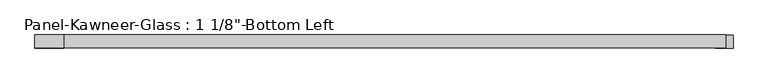
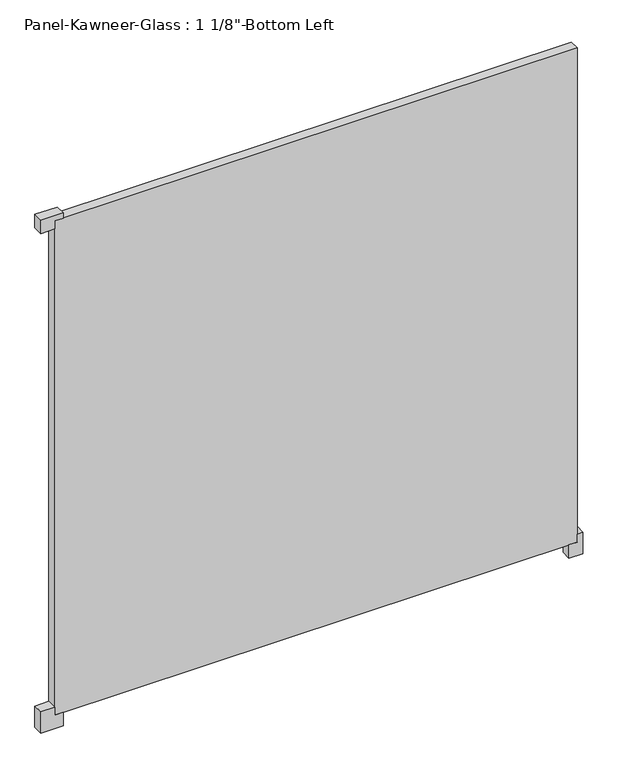
"""IFC4 building model written with IfcOpenShell, lengths in millimetres: plate geometry."""

from ifc_helpers import new_model, si_unit, frame, origin, origin_with_axes, place, context, project, spatial, polyline, outline, extrude, source, transform, mapped, element, save


def plate_c091e645(model_context):
    return source(origin(), model_context, "Body", "SweptSolid", [
        extrude(outline(polyline([(-39.6875, 714.375), (-39.6875, 754.0625), (23.8125, 754.0625), (23.8125, 738.1875), (0.0, 738.1875), (0.0, 714.375), (-39.6875, 714.375)])), frame((0.0, -14.2210761, 0.0), z_axis=(0.0, 1.0, 0.0), x_axis=(0.0, 0.0, 1.0)), (0.0, 0.0, 1.0), 28.575),
        extrude(outline(polyline([(-39.6875, -714.375), (0.0, -714.375), (0.0, -738.1875), (23.8125, -738.1875), (23.8125, -777.875), (-39.6875, -777.875), (-39.6875, -714.375)])), frame((0.0, -14.2210761, 0.0), z_axis=(0.0, 1.0, 0.0), x_axis=(0.0, 0.0, 1.0)), (0.0, 0.0, 1.0), 28.575),
        extrude(outline(polyline([(1492.25, -714.375), (1492.25, -777.875), (1452.5625, -777.875), (1452.5625, -738.1875), (1476.375, -738.1875), (1476.375, -714.375), (1492.25, -714.375)])), frame((0.0, -14.2210761, 0.0), z_axis=(0.0, 1.0, 0.0), x_axis=(0.0, 0.0, 1.0)), (0.0, 0.0, 1.0), 28.575),
        extrude(outline(polyline([(738.1875, 14.3539239), (738.1875, -14.2210761), (-738.1875, -14.2210761), (-738.1875, 14.3539239), (738.1875, 14.3539239)])), origin_with_axes(), (0.0, 0.0, 1.0), 1476.375),
    ])


if __name__ == "__main__":
    model = new_model("IFC4")
    model_context = context("Model", 3, world=origin())
    ifc_project = project(units=[si_unit("LENGTHUNIT", "METRE", prefix="MILLI")], contexts=[model_context])
    site = spatial("IfcSite", under=ifc_project)
    building = spatial("IfcBuilding", under=site)
    placement = place(None, origin())
    plate_shape = plate_c091e645(model_context)
    element("IfcPlate", 1, ObjectType="Panel-Kawneer-Glass : 1 1/8\"-Bottom Left", at=placement, inside=building, context=model_context, shape_type="MappedRepresentation", body=[
        mapped(plate_shape, transform((0.0, 0.0, 0.0), x_axis=(1.0, 0.0, 0.0), y_axis=(0.0, 1.0, 0.0), z_axis=(0.0, 0.0, 1.0))),
    ])
    save(model, "model.ifc")
